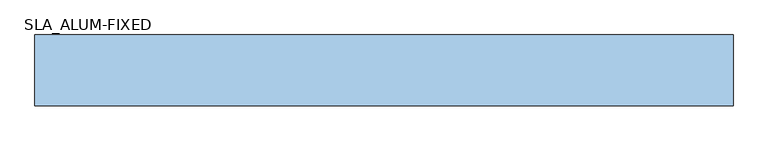
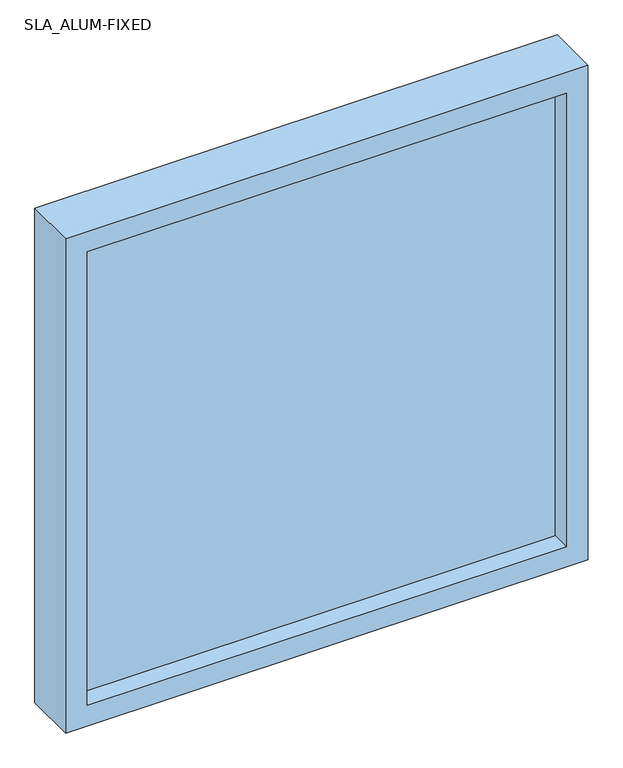
"""IFC4 building model written with IfcOpenShell, lengths in millimetres: window geometry, SLA_ALUM-FIXED."""

from ifc_helpers import new_model, si_unit, frame, origin, place, context, project, spatial, polyline, outline, extrude, source, transform, mapped, element, save


def sla_alum_fixed_3d595906(model_context):
    return source(origin(), model_context, "Body", "SweptSolid", [
        extrude(outline(polyline([(-1320.8, -109.1075246), (-1320.8, -83.7075246), (-203.2, -83.7075246), (-203.2, -109.1075246), (-1320.8, -109.1075246)])), frame((0.0, 0.0, 965.2), z_axis=(0.0, 0.0, 1.0), x_axis=(1.0, 0.0, 0.0)), (0.0, 0.0, 1.0), 1117.6),
        extrude(outline(polyline([(2133.6, -1371.6), (914.4, -1371.6), (914.4, -152.4), (2133.6, -152.4), (2133.6, -1371.6)]), holes=[polyline([(2082.8, -203.2), (965.2, -203.2), (965.2, -1320.8), (2082.8, -1320.8), (2082.8, -203.2)])]), frame((0.0, -153.5575246, 0.0), z_axis=(0.0, 1.0, 0.0), x_axis=(0.0, 0.0, 1.0)), (0.0, 0.0, 1.0), 123.825),
    ])


if __name__ == "__main__":
    model = new_model("IFC4")
    model_context = context("Model", 3, world=origin())
    ifc_project = project(units=[si_unit("LENGTHUNIT", "METRE", prefix="MILLI")], contexts=[model_context])
    site = spatial("IfcSite", under=ifc_project)
    building = spatial("IfcBuilding", under=site)
    placement = place(None, origin())
    sla_alum_fixed_shape = sla_alum_fixed_3d595906(model_context)
    element("IfcWindow", 1, ObjectType="SLA_ALUM-FIXED", at=placement, inside=building, context=model_context, shape_type="MappedRepresentation", body=[
        mapped(sla_alum_fixed_shape, transform((0.0, 0.0, 0.0), x_axis=(1.0, 0.0, 0.0), y_axis=(0.0, 1.0, 0.0), z_axis=(0.0, 0.0, 1.0))),
    ])
    save(model, "model.ifc")
